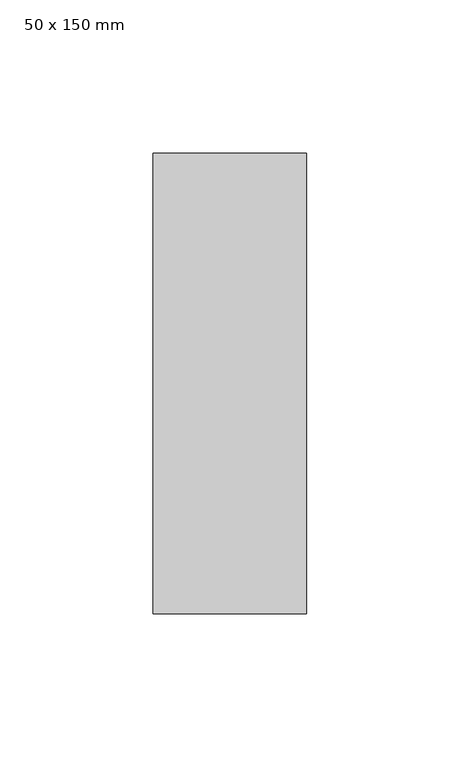
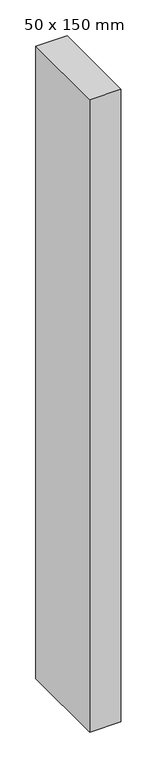
"""IFC4 building model written with IfcOpenShell, lengths in millimetres: member geometry, 50 x 150 mm."""

import ifcopenshell
import ifcopenshell.guid

model = None  # the IFC model being written
_history = None  # IfcOwnerHistory: only IFC2X3 demands one
_inside = {}  # id of a spatial element -> (the spatial element, [elements in it])
_under = {}  # id of a project, library or spatial element -> (it, [spatial elements below it])
_declared = {}  # id of a project -> (the project, [libraries it declares])
_typed = {}  # id of a type object -> (the type object, [elements of that type])
_made_of = {}  # id of a material, layer set ... -> (it, [elements and type objects made of it])


def new_model(schema):
    """Start an empty IFC model of exactly this schema.

    Asked for "IFC4X3", IfcOpenShell would pick the latest addendum, in which some entities
    have other attributes; the version numbers below select the first issue.
    IFC2X3 requires an IfcOwnerHistory on every rooted entity: one is made here for all.
    """
    global model, _history
    if schema == "IFC4X3":
        model = ifcopenshell.file(schema_version=(4, 3, 0, 0))
    else:
        model = ifcopenshell.file(schema=schema)
    _inside.clear()
    _under.clear()
    _declared.clear()
    _typed.clear()
    _made_of.clear()
    _history = None
    if model.schema == "IFC2X3":
        org = make("IfcOrganization", Name="unknown")
        user = make(
            "IfcPersonAndOrganization",
            ThePerson=make("IfcPerson", FamilyName="unknown"),
            TheOrganization=org,
        )
        app = make(
            "IfcApplication",
            ApplicationDeveloper=org,
            Version="unknown",
            ApplicationFullName="unknown",
            ApplicationIdentifier="unknown",
        )
        _history = make(
            "IfcOwnerHistory",
            OwningUser=user,
            OwningApplication=app,
            ChangeAction="ADDED",
            CreationDate=0,
        )
    return model


def make(cls, **values):
    """One entity of the class cls with the attributes given. An attribute that is None is left unset."""
    return model.create_entity(
        cls, **{name: value for name, value in values.items() if value is not None}
    )


def rooted(cls, **values):
    """An entity with a GlobalId (a new one), such as an element, a storey or a relation."""
    return make(cls, GlobalId=ifcopenshell.guid.new(), OwnerHistory=_history, **values)


def si_unit(unit_type, name, prefix=None):
    """IfcSIUnit, for example si_unit("LENGTHUNIT", "METRE", prefix="MILLI")."""
    return make("IfcSIUnit", UnitType=unit_type, Prefix=prefix, Name=name)


def assignment(units):
    """IfcUnitAssignment: the units of a project."""
    return None if units is None else make("IfcUnitAssignment", Units=units)


def point(xyz):
    """IfcCartesianPoint."""
    return None if xyz is None else make("IfcCartesianPoint", Coordinates=xyz)


def direction(xyz):
    """IfcDirection."""
    return None if xyz is None else make("IfcDirection", DirectionRatios=xyz)


def frame(location, z_axis=None, x_axis=None):
    """IfcAxis2Placement3D, a coordinate frame: its origin and axes. An axis left out is left unset."""
    return make(
        "IfcAxis2Placement3D",
        Location=point(location),
        Axis=direction(z_axis),
        RefDirection=direction(x_axis),
    )


def origin():
    """The frame at (0, 0, 0) with its axes left unset."""
    return frame((0.0, 0.0, 0.0))


def place(relative_to, where):
    """IfcLocalPlacement: puts the frame where relative to a parent placement (None: the world)."""
    return make(
        "IfcLocalPlacement", PlacementRelTo=relative_to, RelativePlacement=where
    )


def context(
    kind, dimensions, precision=None, world=None, true_north=None, identifier=None
):
    """IfcGeometricRepresentationContext, for example the 3D "Model" context."""
    return make(
        "IfcGeometricRepresentationContext",
        ContextIdentifier=identifier,
        ContextType=kind,
        CoordinateSpaceDimension=dimensions,
        Precision=precision,
        WorldCoordinateSystem=world,
        TrueNorth=true_north,
    )


def project(units=None, contexts=None):
    """IfcProject with its units and contexts."""
    return rooted(
        "IfcProject",
        Name="project",
        RepresentationContexts=contexts,
        UnitsInContext=assignment(units),
    )


def spatial(cls, under=None, at=None, **own):
    """A site, building, storey or space (cls), placed at a placement, below another one or the project."""
    s = rooted(cls, ObjectPlacement=at, **own)
    if under is not None:
        _under.setdefault(under.id(), (under, []))[1].append(s)
    return s


def polyline(points):
    """IfcPolyline through the points."""
    return make("IfcPolyline", Points=[point(p) for p in points])


def outline(outer, holes=None, kind="AREA"):
    """IfcArbitraryClosedProfileDef: a profile drawn as a closed curve; with holes, ...WithVoids."""
    if holes is None:
        return make("IfcArbitraryClosedProfileDef", ProfileType=kind, OuterCurve=outer)
    return make(
        "IfcArbitraryProfileDefWithVoids",
        ProfileType=kind,
        OuterCurve=outer,
        InnerCurves=holes,
    )


def extrude(swept, where, along, depth):
    """IfcExtrudedAreaSolid: the profile swept, set in the frame where, extruded along a direction by depth."""
    return make(
        "IfcExtrudedAreaSolid",
        SweptArea=swept,
        Position=where,
        ExtrudedDirection=direction(along),
        Depth=depth,
    )


def shape(context_of_items, identifier, shape_type, items):
    """IfcShapeRepresentation: the items that make up one representation, for example the "Body"."""
    return make(
        "IfcShapeRepresentation",
        ContextOfItems=context_of_items,
        RepresentationIdentifier=identifier,
        RepresentationType=shape_type,
        Items=items,
    )


def source(mapping_origin, context_of_items, identifier, shape_type, items):
    """IfcRepresentationMap: a shape defined once, which mapped items show again and again."""
    return make(
        "IfcRepresentationMap",
        MappingOrigin=mapping_origin,
        MappedRepresentation=shape(context_of_items, identifier, shape_type, items),
    )


def transform(
    local_origin,
    x_axis=None,
    y_axis=None,
    z_axis=None,
    scale=None,
    scale2=None,
    scale3=None,
    uniform=True,
):
    """IfcCartesianTransformationOperator3D, or its non-uniform kind. x_axis, y_axis, z_axis: its Axis1, 2, 3."""
    if uniform:
        return make(
            "IfcCartesianTransformationOperator3D",
            Axis1=direction(x_axis),
            Axis2=direction(y_axis),
            LocalOrigin=point(local_origin),
            Scale=scale,
            Axis3=direction(z_axis),
        )
    return make(
        "IfcCartesianTransformationOperator3DnonUniform",
        Axis1=direction(x_axis),
        Axis2=direction(y_axis),
        LocalOrigin=point(local_origin),
        Scale=scale,
        Axis3=direction(z_axis),
        Scale2=scale2,
        Scale3=scale3,
    )


def mapped(mapping_source, mapping_target):
    """IfcMappedItem: shows the shape of a source again, moved by a transform."""
    return make(
        "IfcMappedItem", MappingSource=mapping_source, MappingTarget=mapping_target
    )


def made_of(thing, what):
    """Note that an element or type object is made of a material, layer set ...; save() writes the relation."""
    if what is not None:
        _made_of.setdefault(what.id(), (what, []))[1].append(thing)
    return thing


def element(
    cls,
    number,
    at=None,
    inside=None,
    cuts=None,
    type_object=None,
    material=None,
    context=None,
    identifier="Body",
    shape_type=None,
    held_by="IfcProductDefinitionShape",
    body=None,
    shapes=None,
    **own,
):
    """One element of the class cls, such as IfcWall. Its Tag is "e" and its number.

    at: its placement. inside: the storey or other place that contains it. cuts: it is an
    opening in that element (IfcRelVoidsElement). A single representation is given by context,
    identifier, shape_type and body (its items); several are given by shapes. held_by: the class
    of the entity that holds the representations. save() writes the other relations.
    """
    e = rooted(cls, Tag="e%d" % number, ObjectPlacement=at, **own)
    if body is not None:
        shapes = [shape(context, identifier, shape_type, body)]
    if shapes is not None:
        e.Representation = make(held_by, Representations=shapes)
    if inside is not None:
        _inside.setdefault(inside.id(), (inside, []))[1].append(e)
    if cuts is not None:
        rooted(
            "IfcRelVoidsElement", RelatingBuildingElement=cuts, RelatedOpeningElement=e
        )
    if type_object is not None:
        _typed.setdefault(type_object.id(), (type_object, []))[1].append(e)
    return made_of(e, material)


def aggregate(whole, parts):
    """IfcRelAggregates: a whole, such as a stair, and the parts it consists of."""
    return rooted("IfcRelAggregates", RelatingObject=whole, RelatedObjects=parts)


def save(model, path):
    """Write the relations noted so far, then the file.

    IfcRelAggregates (storeys below a building ...), IfcRelContainedInSpatialStructure (elements
    in a storey), IfcRelDefinesByType, IfcRelAssociatesMaterial and IfcRelDeclares: one each for
    every whole, place, type object, material and project.
    """
    for whole, parts in _under.values():
        aggregate(whole, parts)
    for where, things in _inside.values():
        rooted(
            "IfcRelContainedInSpatialStructure",
            RelatedElements=things,
            RelatingStructure=where,
        )
    for kind, things in _typed.values():
        rooted("IfcRelDefinesByType", RelatedObjects=things, RelatingType=kind)
    for what, things in _made_of.values():
        rooted("IfcRelAssociatesMaterial", RelatedObjects=things, RelatingMaterial=what)
    for by, libraries in _declared.values():
        rooted("IfcRelDeclares", RelatingContext=by, RelatedDefinitions=libraries)
    model.write(path)


def member_50_x_150_mm_554caf34(model_context):
    return source(origin(), model_context, "Body", "SweptSolid", [
        extrude(outline(polyline([(25.0, 75.0), (25.0, -75.0), (-25.0, -75.0), (-25.0, 75.0), (25.0, 75.0)])), frame((0.0, 0.0, -1075.0), z_axis=(0.0, 0.0, 1.0), x_axis=(1.0, 0.0, 0.0)), (0.0, 0.0, 1.0), 1075.0),
    ])


if __name__ == "__main__":
    model = new_model("IFC4")
    model_context = context("Model", 3, world=origin())
    ifc_project = project(units=[si_unit("LENGTHUNIT", "METRE", prefix="MILLI")], contexts=[model_context])
    site = spatial("IfcSite", under=ifc_project)
    building = spatial("IfcBuilding", under=site)
    placement = place(None, origin())
    member_50_x_150_mm_shape = member_50_x_150_mm_554caf34(model_context)
    element("IfcMember", 1, ObjectType="50 x 150 mm", at=placement, inside=building, context=model_context, shape_type="MappedRepresentation", body=[
        mapped(member_50_x_150_mm_shape, transform((0.0, 0.0, 0.0), x_axis=(1.0, 0.0, 0.0), y_axis=(0.0, 1.0, 0.0), z_axis=(0.0, 0.0, 1.0))),
    ])
    save(model, "model.ifc")
